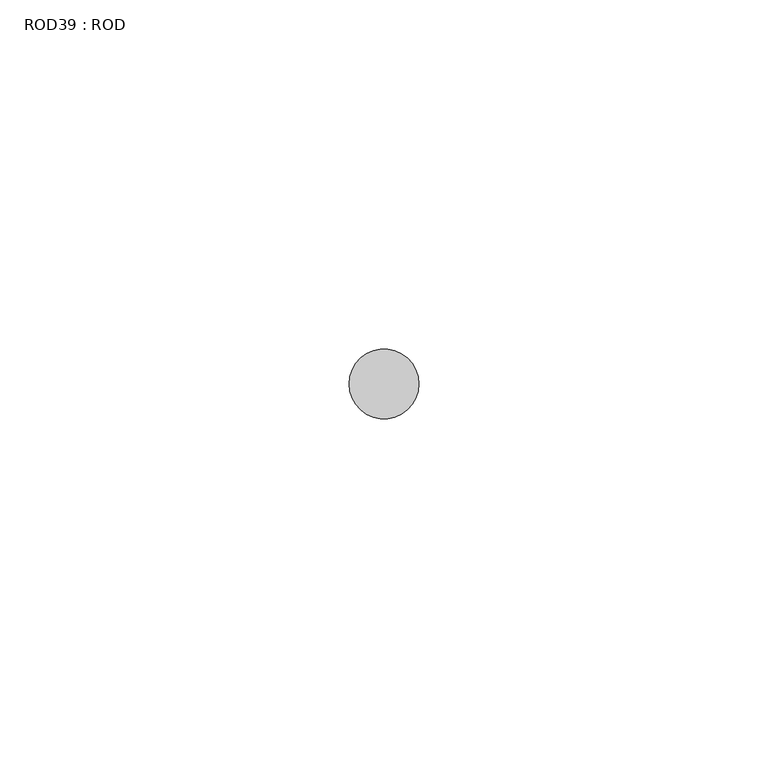
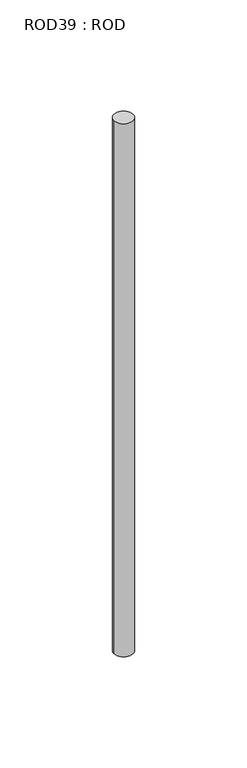
"""IFC4 building model written with IfcOpenShell, lengths in millimetres: proxy geometry, ROD39 : ROD."""

from ifc_helpers import new_model, si_unit, point, frame, frame_2d, origin, place, context, project, spatial, circle_curve, trimmed, segment, composite_curve, outline, extrude, source, transform, mapped, element, save


def rod39_rod_5fd2e606(model_context):
    return source(origin(), model_context, "Body", "SweptSolid", [
        extrude(outline(composite_curve([segment(trimmed(circle_curve(frame_2d((8399.7673324, 833.3971576)), 5.0), [point((8394.7673324, 833.3971576))], [point((8404.7673324, 833.3971576))], False, "CARTESIAN"), True, "CONTINUOUS"), segment(trimmed(circle_curve(frame_2d((8399.7673324, 833.3971576)), 5.0), [point((8404.7673324, 833.3971576))], [point((8394.7673324, 833.3971576))], False, "CARTESIAN"), True, "CONTINUOUS")], self_intersect=False)), frame((0.0, 0.0, -108.6608845), z_axis=(0.0, 0.0, 1.0), x_axis=(1.0, 0.0, 0.0)), (0.0, 0.0, 1.0), 298.9028972),
    ])


if __name__ == "__main__":
    model = new_model("IFC4")
    model_context = context("Model", 3, world=origin())
    ifc_project = project(units=[si_unit("LENGTHUNIT", "METRE", prefix="MILLI")], contexts=[model_context])
    site = spatial("IfcSite", under=ifc_project)
    building = spatial("IfcBuilding", under=site)
    placement = place(None, origin())
    rod39_rod_shape = rod39_rod_5fd2e606(model_context)
    element("IfcBuildingElementProxy", 1, Name="ROD39 : ROD", ObjectType="ROD39 : ROD", at=placement, inside=building, context=model_context, shape_type="MappedRepresentation", body=[
        mapped(rod39_rod_shape, transform((0.0, 0.0, 0.0), x_axis=(1.0, 0.0, 0.0), y_axis=(0.0, 1.0, 0.0), z_axis=(0.0, 0.0, 1.0))),
    ])
    save(model, "model.ifc")
